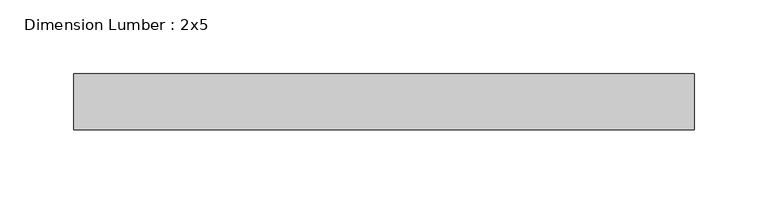
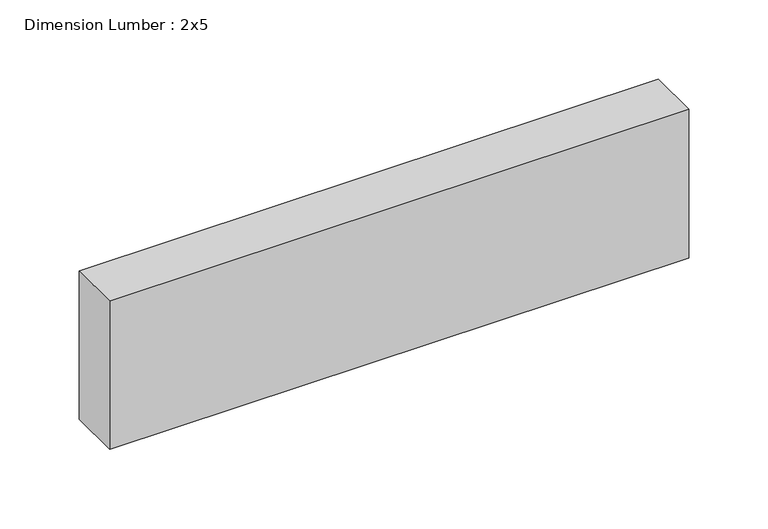
"""IFC4 building model written with IfcOpenShell, lengths in millimetres: beam geometry, Dimension Lumber : 2x5."""

import ifcopenshell
import ifcopenshell.guid

model = None  # the IFC model being written
_history = None  # IfcOwnerHistory: only IFC2X3 demands one
_inside = {}  # id of a spatial element -> (the spatial element, [elements in it])
_under = {}  # id of a project, library or spatial element -> (it, [spatial elements below it])
_declared = {}  # id of a project -> (the project, [libraries it declares])
_typed = {}  # id of a type object -> (the type object, [elements of that type])
_made_of = {}  # id of a material, layer set ... -> (it, [elements and type objects made of it])


def new_model(schema):
    """Start an empty IFC model of exactly this schema.

    Asked for "IFC4X3", IfcOpenShell would pick the latest addendum, in which some entities
    have other attributes; the version numbers below select the first issue.
    IFC2X3 requires an IfcOwnerHistory on every rooted entity: one is made here for all.
    """
    global model, _history
    if schema == "IFC4X3":
        model = ifcopenshell.file(schema_version=(4, 3, 0, 0))
    else:
        model = ifcopenshell.file(schema=schema)
    _inside.clear()
    _under.clear()
    _declared.clear()
    _typed.clear()
    _made_of.clear()
    _history = None
    if model.schema == "IFC2X3":
        org = make("IfcOrganization", Name="unknown")
        user = make(
            "IfcPersonAndOrganization",
            ThePerson=make("IfcPerson", FamilyName="unknown"),
            TheOrganization=org,
        )
        app = make(
            "IfcApplication",
            ApplicationDeveloper=org,
            Version="unknown",
            ApplicationFullName="unknown",
            ApplicationIdentifier="unknown",
        )
        _history = make(
            "IfcOwnerHistory",
            OwningUser=user,
            OwningApplication=app,
            ChangeAction="ADDED",
            CreationDate=0,
        )
    return model


def make(cls, **values):
    """One entity of the class cls with the attributes given. An attribute that is None is left unset."""
    return model.create_entity(
        cls, **{name: value for name, value in values.items() if value is not None}
    )


def rooted(cls, **values):
    """An entity with a GlobalId (a new one), such as an element, a storey or a relation."""
    return make(cls, GlobalId=ifcopenshell.guid.new(), OwnerHistory=_history, **values)


def si_unit(unit_type, name, prefix=None):
    """IfcSIUnit, for example si_unit("LENGTHUNIT", "METRE", prefix="MILLI")."""
    return make("IfcSIUnit", UnitType=unit_type, Prefix=prefix, Name=name)


def assignment(units):
    """IfcUnitAssignment: the units of a project."""
    return None if units is None else make("IfcUnitAssignment", Units=units)


def point(xyz):
    """IfcCartesianPoint."""
    return None if xyz is None else make("IfcCartesianPoint", Coordinates=xyz)


def direction(xyz):
    """IfcDirection."""
    return None if xyz is None else make("IfcDirection", DirectionRatios=xyz)


def frame(location, z_axis=None, x_axis=None):
    """IfcAxis2Placement3D, a coordinate frame: its origin and axes. An axis left out is left unset."""
    return make(
        "IfcAxis2Placement3D",
        Location=point(location),
        Axis=direction(z_axis),
        RefDirection=direction(x_axis),
    )


def origin():
    """The frame at (0, 0, 0) with its axes left unset."""
    return frame((0.0, 0.0, 0.0))


def place(relative_to, where):
    """IfcLocalPlacement: puts the frame where relative to a parent placement (None: the world)."""
    return make(
        "IfcLocalPlacement", PlacementRelTo=relative_to, RelativePlacement=where
    )


def context(
    kind, dimensions, precision=None, world=None, true_north=None, identifier=None
):
    """IfcGeometricRepresentationContext, for example the 3D "Model" context."""
    return make(
        "IfcGeometricRepresentationContext",
        ContextIdentifier=identifier,
        ContextType=kind,
        CoordinateSpaceDimension=dimensions,
        Precision=precision,
        WorldCoordinateSystem=world,
        TrueNorth=true_north,
    )


def project(units=None, contexts=None):
    """IfcProject with its units and contexts."""
    return rooted(
        "IfcProject",
        Name="project",
        RepresentationContexts=contexts,
        UnitsInContext=assignment(units),
    )


def spatial(cls, under=None, at=None, **own):
    """A site, building, storey or space (cls), placed at a placement, below another one or the project."""
    s = rooted(cls, ObjectPlacement=at, **own)
    if under is not None:
        _under.setdefault(under.id(), (under, []))[1].append(s)
    return s


def polyline(points):
    """IfcPolyline through the points."""
    return make("IfcPolyline", Points=[point(p) for p in points])


def outline(outer, holes=None, kind="AREA"):
    """IfcArbitraryClosedProfileDef: a profile drawn as a closed curve; with holes, ...WithVoids."""
    if holes is None:
        return make("IfcArbitraryClosedProfileDef", ProfileType=kind, OuterCurve=outer)
    return make(
        "IfcArbitraryProfileDefWithVoids",
        ProfileType=kind,
        OuterCurve=outer,
        InnerCurves=holes,
    )


def extrude(swept, where, along, depth):
    """IfcExtrudedAreaSolid: the profile swept, set in the frame where, extruded along a direction by depth."""
    return make(
        "IfcExtrudedAreaSolid",
        SweptArea=swept,
        Position=where,
        ExtrudedDirection=direction(along),
        Depth=depth,
    )


def shape(context_of_items, identifier, shape_type, items):
    """IfcShapeRepresentation: the items that make up one representation, for example the "Body"."""
    return make(
        "IfcShapeRepresentation",
        ContextOfItems=context_of_items,
        RepresentationIdentifier=identifier,
        RepresentationType=shape_type,
        Items=items,
    )


def source(mapping_origin, context_of_items, identifier, shape_type, items):
    """IfcRepresentationMap: a shape defined once, which mapped items show again and again."""
    return make(
        "IfcRepresentationMap",
        MappingOrigin=mapping_origin,
        MappedRepresentation=shape(context_of_items, identifier, shape_type, items),
    )


def transform(
    local_origin,
    x_axis=None,
    y_axis=None,
    z_axis=None,
    scale=None,
    scale2=None,
    scale3=None,
    uniform=True,
):
    """IfcCartesianTransformationOperator3D, or its non-uniform kind. x_axis, y_axis, z_axis: its Axis1, 2, 3."""
    if uniform:
        return make(
            "IfcCartesianTransformationOperator3D",
            Axis1=direction(x_axis),
            Axis2=direction(y_axis),
            LocalOrigin=point(local_origin),
            Scale=scale,
            Axis3=direction(z_axis),
        )
    return make(
        "IfcCartesianTransformationOperator3DnonUniform",
        Axis1=direction(x_axis),
        Axis2=direction(y_axis),
        LocalOrigin=point(local_origin),
        Scale=scale,
        Axis3=direction(z_axis),
        Scale2=scale2,
        Scale3=scale3,
    )


def mapped(mapping_source, mapping_target):
    """IfcMappedItem: shows the shape of a source again, moved by a transform."""
    return make(
        "IfcMappedItem", MappingSource=mapping_source, MappingTarget=mapping_target
    )


def made_of(thing, what):
    """Note that an element or type object is made of a material, layer set ...; save() writes the relation."""
    if what is not None:
        _made_of.setdefault(what.id(), (what, []))[1].append(thing)
    return thing


def element(
    cls,
    number,
    at=None,
    inside=None,
    cuts=None,
    type_object=None,
    material=None,
    context=None,
    identifier="Body",
    shape_type=None,
    held_by="IfcProductDefinitionShape",
    body=None,
    shapes=None,
    **own,
):
    """One element of the class cls, such as IfcWall. Its Tag is "e" and its number.

    at: its placement. inside: the storey or other place that contains it. cuts: it is an
    opening in that element (IfcRelVoidsElement). A single representation is given by context,
    identifier, shape_type and body (its items); several are given by shapes. held_by: the class
    of the entity that holds the representations. save() writes the other relations.
    """
    e = rooted(cls, Tag="e%d" % number, ObjectPlacement=at, **own)
    if body is not None:
        shapes = [shape(context, identifier, shape_type, body)]
    if shapes is not None:
        e.Representation = make(held_by, Representations=shapes)
    if inside is not None:
        _inside.setdefault(inside.id(), (inside, []))[1].append(e)
    if cuts is not None:
        rooted(
            "IfcRelVoidsElement", RelatingBuildingElement=cuts, RelatedOpeningElement=e
        )
    if type_object is not None:
        _typed.setdefault(type_object.id(), (type_object, []))[1].append(e)
    return made_of(e, material)


def aggregate(whole, parts):
    """IfcRelAggregates: a whole, such as a stair, and the parts it consists of."""
    return rooted("IfcRelAggregates", RelatingObject=whole, RelatedObjects=parts)


def save(model, path):
    """Write the relations noted so far, then the file.

    IfcRelAggregates (storeys below a building ...), IfcRelContainedInSpatialStructure (elements
    in a storey), IfcRelDefinesByType, IfcRelAssociatesMaterial and IfcRelDeclares: one each for
    every whole, place, type object, material and project.
    """
    for whole, parts in _under.values():
        aggregate(whole, parts)
    for where, things in _inside.values():
        rooted(
            "IfcRelContainedInSpatialStructure",
            RelatedElements=things,
            RelatingStructure=where,
        )
    for kind, things in _typed.values():
        rooted("IfcRelDefinesByType", RelatedObjects=things, RelatingType=kind)
    for what, things in _made_of.values():
        rooted("IfcRelAssociatesMaterial", RelatedObjects=things, RelatingMaterial=what)
    for by, libraries in _declared.values():
        rooted("IfcRelDeclares", RelatingContext=by, RelatedDefinitions=libraries)
    model.write(path)


def dimension_lumber_2x5_429b37ee(model_context):
    return source(origin(), model_context, "Body", "SweptSolid", [
        extrude(outline(polyline([(213.0128883, 19.05), (213.0128883, -19.05), (-207.9062666, -19.05), (-207.9062666, 19.05), (213.0128883, 19.05)])), frame((0.0, 0.0, -57.15), z_axis=(0.0, 0.0, 1.0), x_axis=(1.0, 0.0, 0.0)), (0.0, 0.0, 1.0), 114.3),
    ])


if __name__ == "__main__":
    model = new_model("IFC4")
    model_context = context("Model", 3, world=origin())
    ifc_project = project(units=[si_unit("LENGTHUNIT", "METRE", prefix="MILLI")], contexts=[model_context])
    site = spatial("IfcSite", under=ifc_project)
    building = spatial("IfcBuilding", under=site)
    placement = place(None, origin())
    dimension_lumber_2x5_shape = dimension_lumber_2x5_429b37ee(model_context)
    element("IfcBeam", 1, ObjectType="Dimension Lumber : 2x5", at=placement, inside=building, context=model_context, shape_type="MappedRepresentation", body=[
        mapped(dimension_lumber_2x5_shape, transform((0.0, 0.0, 0.0), x_axis=(1.0, 0.0, 0.0), y_axis=(0.0, 1.0, 0.0), z_axis=(0.0, 0.0, 1.0))),
    ])
    save(model, "model.ifc")
